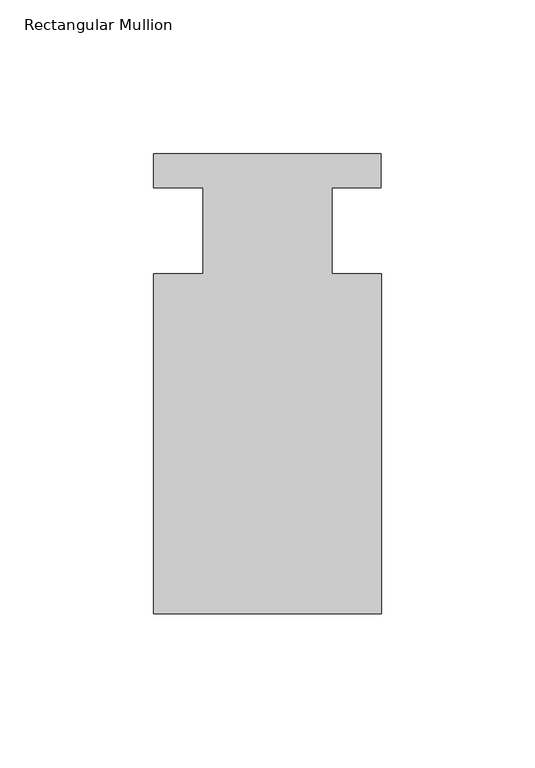
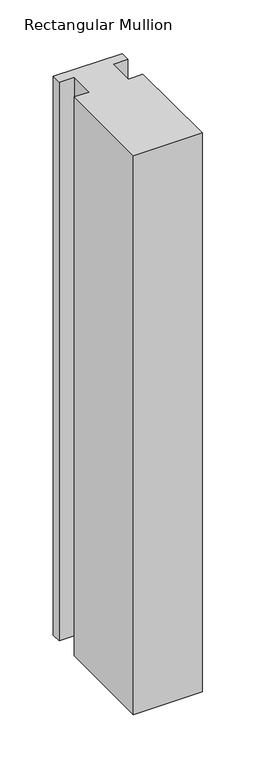
"""IFC4 building model written with IfcOpenShell, lengths in millimetres: member geometry, Rectangular Mullion."""

from ifc_helpers import new_model, si_unit, frame, origin, place, context, project, spatial, polyline, outline, extrude, source, transform, mapped, element, save


def rectangular_mullion_c121c420(model_context):
    return source(origin(), model_context, "Body", "SweptSolid", [
        extrude(outline(polyline([(-20.9800745, -13.9998907), (-20.9800745, 14.0), (-37.0, 14.0), (-37.0, 25.0), (36.9800745, 25.0), (36.9800745, 14.0), (20.9800745, 14.0), (20.9800745, -13.9998907), (37.0, -13.9998907), (37.0, -124.5), (-37.0, -124.5), (-37.0, -13.9998907), (-20.9800745, -13.9998907)])), frame((0.0, 0.0, -637.6322694), z_axis=(0.0, 0.0, 1.0), x_axis=(1.0, 0.0, 0.0)), (0.0, 0.0, 1.0), 637.6322694),
    ])


if __name__ == "__main__":
    model = new_model("IFC4")
    model_context = context("Model", 3, world=origin())
    ifc_project = project(units=[si_unit("LENGTHUNIT", "METRE", prefix="MILLI")], contexts=[model_context])
    site = spatial("IfcSite", under=ifc_project)
    building = spatial("IfcBuilding", under=site)
    placement = place(None, origin())
    rectangular_mullion_shape = rectangular_mullion_c121c420(model_context)
    element("IfcMember", 1, ObjectType="Rectangular Mullion", at=placement, inside=building, context=model_context, shape_type="MappedRepresentation", body=[
        mapped(rectangular_mullion_shape, transform((0.0, 0.0, 0.0), x_axis=(1.0, 0.0, 0.0), y_axis=(0.0, 1.0, 0.0), z_axis=(0.0, 0.0, 1.0))),
    ])
    save(model, "model.ifc")
